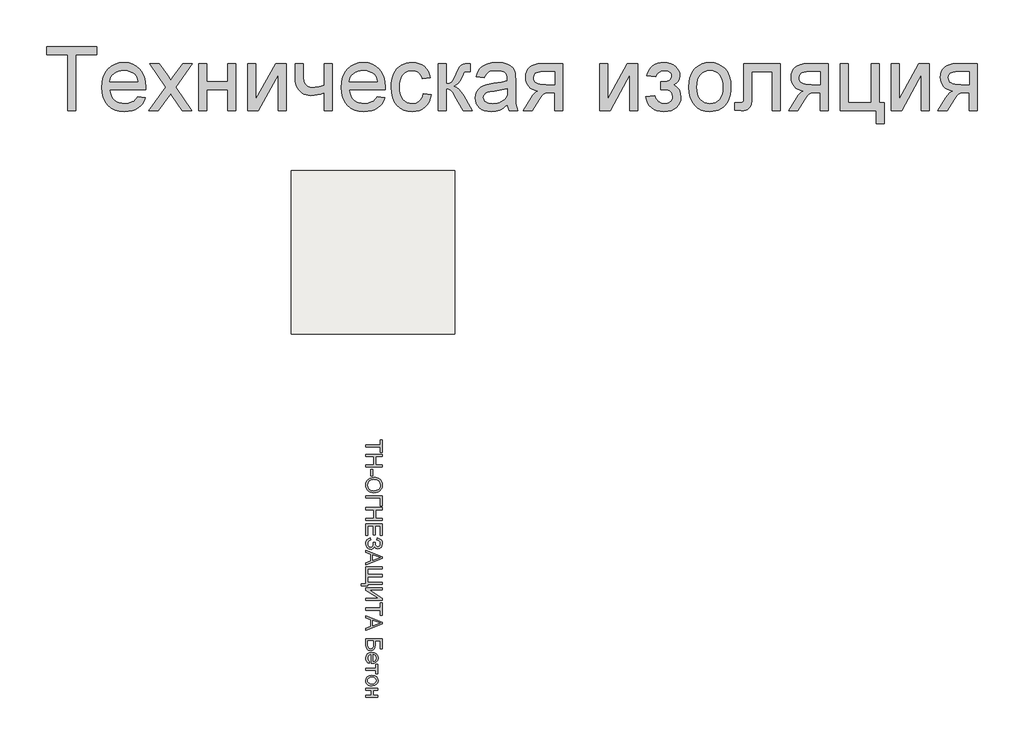
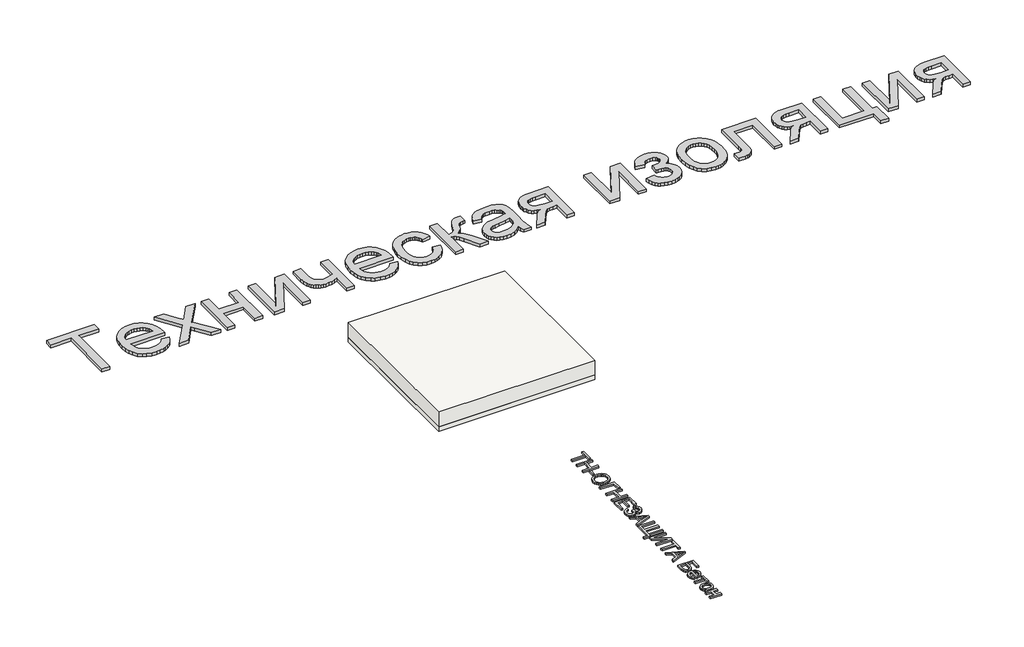
# One storey: 2 proxies, 2 slabs.
"""IFC4 building model written with IfcOpenShell, lengths in millimetres."""

from ifc_helpers import new_model, si_unit, frame, origin, origin_with_axes, place, context, project, spatial, polyline, outline, extrude, element, save

model = new_model("IFC4")

# Units and contexts
model_context = context("Model", 3, world=origin())
ifc_project = project(units=[si_unit("LENGTHUNIT", "METRE", prefix="MILLI")], contexts=[model_context])

# Site, building, storey
site = spatial("IfcSite", under=ifc_project)
building = spatial("IfcBuilding", under=site)
storey = spatial("IfcBuildingStorey", under=building, Elevation=0.0)

# Proxies
placement = place(None, origin())
element("IfcBuildingElementProxy", 1, Name="Generic Models", at=placement, inside=storey, context=model_context, shape_type="SweptSolid", body=[
    extrude(outline(polyline([(-2025.5706022, -33571.2968619), (-2025.5706022, -32885.7211043), (-2282.6615113, -32885.7211043), (-2282.6615113, -32787.7817103), (-1670.5402992, -32787.7817103), (-1670.5402992, -32885.7211043), (-1927.6312083, -32885.7211043), (-1927.6312083, -33571.2968619), (-2025.5706022, -33571.2968619)])), origin_with_axes(), (0.0, 0.0, 1.0), 40.0),
    extrude(outline(polyline([(-1169.7486325, -33399.9029225), (-1073.7221174, -33412.1453467), (-1088.4453063, -33450.6061658), (-1108.3213124, -33484.4999869), (-1133.3501358, -33513.8268098), (-1163.5317764, -33538.5866346), (-1198.5553915, -33558.2534196), (-1238.1101382, -33572.3011232), (-1282.1960165, -33580.7297454), (-1330.8130264, -33583.5392861), (-1391.5827944, -33578.6913339), (-1445.7292196, -33564.1474774), (-1493.252302, -33539.9077165), (-1534.1520416, -33505.9720513), (-1567.0416013, -33463.2849656), (-1590.5341439, -33412.7909433), (-1604.6296694, -33354.4899845), (-1609.328178, -33288.3820891), (-1604.5818475, -33220.0325389), (-1590.342856, -33159.7888126), (-1566.6112035, -33107.6509102), (-1533.3868901, -33063.6188316), (-1492.5947499, -33028.6370607), (-1446.1596174, -33003.6500816), (-1394.0814924, -32988.6578941), (-1336.3603749, -32983.6604982), (-1280.4983366, -32988.6459386), (-1229.9804033, -33003.6022596), (-1184.8065752, -33028.5294613), (-1144.9768522, -33063.4275437), (-1112.4638906, -33107.3639783), (-1089.2403465, -33159.4062369), (-1075.3062201, -33219.5543192), (-1070.6615113, -33287.8082255), (-1071.2353749, -33314.2059528), (-1511.388784, -33314.2059528), (-1505.7159029, -33353.2884575), (-1494.4358958, -33387.5170323), (-1477.5487627, -33416.8916772), (-1455.0545037, -33441.4123922), (-1428.19649, -33460.7444234), (-1398.2180927, -33474.5530172), (-1365.119312, -33482.8381734), (-1328.9001477, -33485.5998922), (-1276.7742007, -33480.4829414), (-1232.8736325, -33465.1320891), (-1214.0078655, -33453.3798401), (-1197.1984431, -33438.590896), (-1182.4453655, -33420.7652567), (-1169.7486325, -33399.9029225)]), holes=[polyline([(-1511.388784, -33216.2665588), (-1168.6009052, -33216.2665588), (-1173.6341675, -33188.5537274), (-1181.8475908, -33164.5231876), (-1193.2411751, -33144.1749395), (-1207.8149204, -33127.5089831), (-1234.5234905, -33107.4237558), (-1264.9143522, -33093.0771649), (-1298.9875056, -33084.4692103), (-1336.7429507, -33081.5998922), (-1371.1807466, -33083.889369), (-1402.7611799, -33090.7577994), (-1431.4842504, -33102.2051834), (-1457.3499583, -33118.231521), (-1479.0551548, -33138.0955716), (-1495.2966912, -33161.0560948), (-1506.0745676, -33187.1130906), (-1511.388784, -33216.2665588)])]), origin_with_axes(), (0.0, 0.0, 1.0), 40.0),
    extrude(outline(polyline([(-1033.9342386, -33571.2968619), (-824.6652992, -33282.0695891), (-1021.6918143, -32995.9029225), (-903.858481, -32995.9029225), (-808.7884052, -33133.6301952), (-764.4096174, -33198.668074), (-725.9607537, -33145.4900437), (-617.6918143, -32995.9029225), (-499.858481, -32995.9029225), (-706.8319658, -33282.0695891), (-507.5099961, -33571.2968619), (-625.3433295, -33571.2968619), (-745.2808295, -33397.41618), (-767.2789355, -33365.6623922), (-916.1009052, -33571.2968619), (-1033.9342386, -33571.2968619)])), origin_with_axes(), (0.0, 0.0, 1.0), 40.0),
    extrude(outline(polyline([(-421.8130264, -32995.9029225), (-323.8736325, -32995.9029225), (-323.8736325, -33216.2665588), (-66.7827234, -33216.2665588), (-66.7827234, -32995.9029225), (31.1566705, -32995.9029225), (31.1566705, -33571.2968619), (-66.7827234, -33571.2968619), (-66.7827234, -33314.2059528), (-323.8736325, -33314.2059528), (-323.8736325, -33571.2968619), (-421.8130264, -33571.2968619), (-421.8130264, -32995.9029225)])), origin_with_axes(), (0.0, 0.0, 1.0), 40.0),
    extrude(outline(polyline([(178.0657614, -32995.9029225), (276.0051554, -32995.9029225), (276.0051554, -33434.7173164), (516.6453069, -32995.9029225), (643.2778826, -32995.9029225), (643.2778826, -33571.2968619), (545.3384887, -33571.2968619), (545.3384887, -33135.1604982), (306.2286402, -33571.2968619), (178.0657614, -33571.2968619), (178.0657614, -32995.9029225)])), origin_with_axes(), (0.0, 0.0, 1.0), 40.0),
    extrude(outline(polyline([(753.4597008, -32995.9029225), (851.3990948, -32995.9029225), (851.3990948, -33106.2760285), (853.3837065, -33167.8229035), (859.3375417, -33209.762771), (872.8472482, -33239.8427899), (897.4994736, -33265.8101194), (913.5676554, -33276.2711753), (931.548716, -33283.7433581), (951.4426554, -33288.2266677), (973.2494736, -33289.7211043), (1001.2851033, -33287.868003), (1033.1704016, -33282.308699), (1108.4900039, -33260.0714831), (1108.4900039, -32995.9029225), (1206.4293978, -32995.9029225), (1206.4293978, -33571.2968619), (1108.4900039, -33571.2968619), (1108.4900039, -33353.9938316), (1065.9762728, -33368.7229982), (1024.8972008, -33379.2438316), (985.2527879, -33385.5563316), (947.0430342, -33387.6604982), (916.5027288, -33385.4666654), (887.8155247, -33378.8851668), (860.9814219, -33367.9160025), (836.0004205, -33352.5591725), (813.8767818, -33334.0221815), (795.6147671, -33313.5125342), (781.2143765, -33291.0302307), (770.6756099, -33266.575271), (757.7636781, -33213.1581308), (753.4597008, -33154.6718619), (753.4597008, -32995.9029225)])), origin_with_axes(), (0.0, 0.0, 1.0), 40.0),
    extrude(outline(polyline([(1756.1907614, -33399.9029225), (1852.2172766, -33412.1453467), (1837.4940877, -33450.6061658), (1817.6180815, -33484.4999869), (1792.5892581, -33513.8268098), (1762.4076175, -33538.5866346), (1727.3840024, -33558.2534196), (1687.8292557, -33572.3011232), (1643.7433774, -33580.7297454), (1595.1263675, -33583.5392861), (1534.3565995, -33578.6913339), (1480.2101743, -33564.1474774), (1432.6870919, -33539.9077165), (1391.7873523, -33505.9720513), (1358.8977927, -33463.2849656), (1335.4052501, -33412.7909433), (1321.3097245, -33354.4899845), (1316.611216, -33288.3820891), (1321.3575465, -33220.0325389), (1335.5965379, -33159.7888126), (1359.3281904, -33107.6509102), (1392.5525039, -33063.6188316), (1433.344644, -33028.6370607), (1479.7797766, -33003.6500816), (1531.8579016, -32988.6578941), (1589.579019, -32983.6604982), (1645.4410574, -32988.6459386), (1695.9589906, -33003.6022596), (1741.1328187, -33028.5294613), (1780.9625417, -33063.4275437), (1813.4755034, -33107.3639783), (1836.6990474, -33159.4062369), (1850.6331738, -33219.5543192), (1855.2778826, -33287.8082255), (1854.704019, -33314.2059528), (1414.5506099, -33314.2059528), (1420.2234911, -33353.2884575), (1431.5034982, -33387.5170323), (1448.3906312, -33416.8916772), (1470.8848902, -33441.4123922), (1497.7429039, -33460.7444234), (1527.7213012, -33474.5530172), (1560.820082, -33482.8381734), (1597.0392463, -33485.5998922), (1649.1651932, -33480.4829414), (1693.0657614, -33465.1320891), (1711.9315285, -33453.3798401), (1728.7409508, -33438.590896), (1743.4940285, -33420.7652567), (1756.1907614, -33399.9029225)]), holes=[polyline([(1414.5506099, -33216.2665588), (1757.3384887, -33216.2665588), (1752.3052264, -33188.5537274), (1744.0918031, -33164.5231876), (1732.6982188, -33144.1749395), (1718.1244736, -33127.5089831), (1691.4159035, -33107.4237558), (1661.0250417, -33093.0771649), (1626.9518883, -33084.4692103), (1589.1964432, -33081.5998922), (1554.7586473, -33083.889369), (1523.1782141, -33090.7577994), (1494.4551435, -33102.2051834), (1468.5894357, -33118.231521), (1446.8842392, -33138.0955716), (1430.6427027, -33161.0560948), (1419.8648263, -33187.1130906), (1414.5506099, -33216.2665588)])]), origin_with_axes(), (0.0, 0.0, 1.0), 40.0),
    extrude(outline(polyline([(2320.4900039, -33363.1756497), (2418.4293978, -33375.418074), (2407.777054, -33421.6320299), (2391.1230531, -33462.5257918), (2368.467395, -33498.0993595), (2339.8100796, -33528.3527331), (2306.3586118, -33552.49685), (2269.3204963, -33569.7426478), (2228.695733, -33580.0901265), (2184.484322, -33583.5392861), (2129.5548121, -33578.7272004), (2080.3041611, -33564.2909433), (2036.7323689, -33540.2305148), (1998.8394357, -33506.5459149), (1968.1676199, -33463.8707847), (1946.25918, -33412.8387653), (1933.1141161, -33353.4498567), (1928.7324281, -33285.7040588), (1930.6034627, -33240.6736966), (1936.2165664, -33198.5485191), (1945.5717392, -33159.3285262), (1958.6689811, -33123.0137179), (1975.5979584, -33090.3333794), (1996.4483372, -33062.0167956), (2021.2201175, -33038.0639665), (2049.9132993, -33018.4748922), (2081.2307117, -33003.2435948), (2113.8751838, -32992.3640967), (2147.8467155, -32985.8363978), (2183.1453069, -32983.6604982), (2226.5975441, -32986.6493713), (2265.9012254, -32995.6159906), (2301.0563509, -33010.5603562), (2332.0629205, -33031.4824679), (2358.3948926, -33057.9041062), (2379.5262254, -33089.3470513), (2395.4569191, -33125.8113031), (2406.1869736, -33167.2968619), (2308.2475796, -33179.5392861), (2300.6020422, -33156.6624513), (2290.4817179, -33136.8103562), (2277.8866066, -33119.9830006), (2262.8167084, -33106.1803846), (2245.654599, -33095.4264192), (2226.7828542, -33087.7450153), (2206.201474, -33083.1361729), (2183.9104584, -33081.5998922), (2150.6323452, -33084.6246317), (2120.6180815, -33093.6988505), (2093.8676672, -33108.8225484), (2070.3811023, -33129.9957255), (2051.2582922, -33157.7085569), (2037.5991421, -33192.4512179), (2029.4036521, -33234.2237085), (2026.671822, -33283.0260285), (2029.3438746, -33332.5636114), (2037.3600323, -33374.8202994), (2050.720295, -33409.7960924), (2069.4246629, -33437.4909906), (2092.4449636, -33458.5386351), (2118.7530247, -33473.5726668), (2148.3488462, -33482.5930858), (2181.2324281, -33485.5998922), (2207.7317771, -33483.7228799), (2231.947627, -33478.0918429), (2253.8799778, -33468.7067814), (2273.5288296, -33455.5676952), (2290.3442297, -33438.5311185), (2303.7762254, -33417.4535853), (2313.8248168, -33392.3350958), (2320.4900039, -33363.1756497)])), origin_with_axes(), (0.0, 0.0, 1.0), 40.0),
    extrude(outline(polyline([(2504.1263675, -32995.9029225), (2602.0657614, -32995.9029225), (2602.0657614, -33240.7514073), (2641.9014622, -33236.3517861), (2656.5469404, -33230.8522596), (2667.6775039, -33223.1529225), (2690.4885834, -33188.7211043), (2721.4293978, -33120.6226194), (2746.368555, -33064.9339357), (2766.0951175, -33032.1519755), (2784.5065758, -33014.2904698), (2805.5004205, -33003.3631497), (2834.5522671, -32997.7679793), (2877.1377311, -32995.9029225), (2895.8839432, -32995.9029225), (2895.8839432, -33094.41618), (2869.486216, -33093.8423164), (2838.8801554, -33096.4247028), (2821.6642463, -33104.1718619), (2807.7002311, -33125.7395702), (2787.9975796, -33168.635877), (2767.3145777, -33211.6039168), (2748.4966326, -33238.3603088), (2725.7094641, -33256.2218145), (2693.1187917, -33272.5051952), (2724.1552501, -33286.289878), (2754.9047766, -33310.619305), (2785.3673713, -33345.4934764), (2815.5430342, -33390.9123922), (2920.3687917, -33571.2968619), (2809.0392463, -33571.2968619), (2706.3176554, -33394.7381497), (2678.5809129, -33347.7530645), (2654.6699281, -33320.0402331), (2630.5198334, -33306.4827047), (2602.0657614, -33301.9635285), (2602.0657614, -33571.2968619), (2504.1263675, -33571.2968619), (2504.1263675, -32995.9029225)])), origin_with_axes(), (0.0, 0.0, 1.0), 40.0),
    extrude(outline(polyline([(3348.8536402, -33497.8423164), (3302.0598429, -33537.964949), (3278.1428803, -33552.8256261), (3253.8792084, -33564.2192103), (3203.2118315, -33578.7092672), (3148.9578069, -33583.5392861), (3105.3501483, -33580.6341014), (3067.1105057, -33571.9185475), (3034.2388793, -33557.3926242), (3006.735269, -33537.0563316), (2985.018117, -33512.2008628), (2969.5058656, -33484.1174111), (2960.1985147, -33452.8059764), (2957.0960645, -33418.2665588), (2961.7826175, -33377.6657066), (2975.8422766, -33340.7949679), (2997.5295398, -33309.2324679), (3025.0989054, -33284.5563316), (3057.4982898, -33265.9057634), (3093.6756099, -33252.4199679), (3178.4161402, -33237.6908013), (3278.5553448, -33222.1964831), (3348.2797766, -33204.0241346), (3348.8536402, -33182.2173164), (3347.1679158, -33158.4737085), (3342.1107425, -33138.5080361), (3333.6821203, -33122.3202994), (3321.8820493, -33109.9104982), (3301.4859792, -33097.5246081), (3276.642466, -33088.6775437), (3247.3515095, -33083.369305), (3213.6131099, -33081.5998922), (3155.2703069, -33086.3103562), (3132.6983372, -33092.1984362), (3114.5259887, -33100.4417482), (3099.5935787, -33111.6858888), (3086.7414243, -33126.5764547), (3075.9695256, -33145.1134457), (3067.2778826, -33167.2968619), (2969.3384887, -33155.0544376), (2986.3391989, -33101.4938316), (2997.9778708, -33079.0175058), (3011.7087539, -33059.4104982), (3028.123645, -33042.2782776), (3047.814341, -33027.2263126), (3070.7808419, -33014.2546033), (3097.0231478, -33003.3631497), (3157.2070967, -32988.5861611), (3226.2381099, -32983.6604982), (3292.447627, -32988.0122975), (3344.9322387, -33001.0676952), (3384.5049186, -33020.6986138), (3411.9786402, -33044.7769755), (3430.1988107, -33074.5461516), (3442.0108372, -33111.2495134), (3445.5974849, -33145.1074679), (3446.7930342, -33196.9464831), (3446.7930342, -33318.7968619), (3448.0364054, -33424.9377236), (3451.766519, -33488.94743), (3459.1311023, -33531.0068524), (3471.2778826, -33571.2968619), (3373.3384887, -33571.2968619), (3357.6528826, -33537.2476194), (3348.8536402, -33497.8423164)]), holes=[polyline([(3348.8536402, -33301.9635285), (3283.0506099, -33318.2708202), (3190.8498523, -33331.9957255), (3140.0390095, -33339.5037747), (3106.5875417, -33347.8726194), (3084.6611686, -33358.7282066), (3068.4256099, -33373.6964831), (3058.3829963, -33391.6297217), (3055.0354584, -33411.3801952), (3056.858671, -33426.599537), (3062.3283088, -33440.5037747), (3071.4443718, -33453.0929083), (3084.2068599, -33464.3669376), (3100.4962183, -33473.6563552), (3120.1928921, -33480.2916535), (3169.8081857, -33485.5998922), (3222.4123523, -33479.7417009), (3246.4189811, -33472.4189618), (3268.8953069, -33462.167127), (3306.579019, -33436.2715304), (3332.7854584, -33405.450271), (3344.406197, -33373.6964831), (3348.2797766, -33329.700271), (3348.8536402, -33301.9635285)])]), origin_with_axes(), (0.0, 0.0, 1.0), 40.0),
    extrude(outline(polyline([(4022.1869736, -32995.9029225), (4022.1869736, -33571.2968619), (3924.2475796, -33571.2968619), (3924.2475796, -33350.9332255), (3870.8782614, -33350.9332255), (3828.3167084, -33354.0416535), (3798.1888675, -33363.3669376), (3784.9541374, -33373.2541299), (3769.1609319, -33390.4819944), (3729.8990948, -33446.9597406), (3651.8536402, -33571.2968619), (3538.611216, -33571.2968619), (3636.9331857, -33414.0582255), (3659.0747576, -33381.9218619), (3680.3555342, -33357.6283013), (3700.7755152, -33341.1775437), (3720.3347008, -33332.5695891), (3684.3725796, -33324.6191867), (3653.3839432, -33312.0539641), (3627.3687917, -33294.8739215), (3606.3271251, -33273.0790588), (3590.0915664, -33248.0681687), (3578.4947387, -33221.2400437), (3571.5366421, -33192.5946838), (3569.2172766, -33162.1320891), (3572.3854821, -33126.8633865), (3581.8900986, -33095.0856876), (3597.731126, -33066.7989925), (3619.9085645, -33042.0033013), (3648.0876601, -33021.8343855), (3681.9336592, -33007.4280172), (3721.4465616, -32998.7841961), (3766.6263675, -32995.9029225), (4022.1869736, -32995.9029225)]), holes=[polyline([(3924.2475796, -33093.8423164), (3795.1282614, -33093.8423164), (3758.1798121, -33095.2590423), (3728.4405247, -33099.5092198), (3705.9103992, -33106.5928491), (3690.5894357, -33116.50993), (3673.0148618, -33141.1143335), (3667.1566705, -33169.5923164), (3669.3146369, -33189.6835214), (3675.7885361, -33206.9173638), (3686.578368, -33221.2938434), (3701.6841326, -33232.8129603), (3722.2774683, -33241.6420915), (3749.5300133, -33247.9486138), (3824.0127311, -33252.9938316), (3924.2475796, -33252.9938316), (3924.2475796, -33093.8423164)])]), origin_with_axes(), (0.0, 0.0, 1.0), 40.0),
    extrude(outline(polyline([(4475.1566705, -32995.9029225), (4573.0960645, -32995.9029225), (4573.0960645, -33434.7173164), (4813.736216, -32995.9029225), (4940.3687917, -32995.9029225), (4940.3687917, -33571.2968619), (4842.4293978, -33571.2968619), (4842.4293978, -33135.1604982), (4603.3195493, -33571.2968619), (4475.1566705, -33571.2968619), (4475.1566705, -32995.9029225)])), origin_with_axes(), (0.0, 0.0, 1.0), 40.0),
    extrude(outline(polyline([(5221.9445493, -33314.2059528), (5221.9445493, -33216.2665588), (5299.2248523, -33212.4408013), (5319.3100796, -33205.6261706), (5338.2475796, -33192.0686422), (5352.0203069, -33172.9637653), (5356.611216, -33149.5070891), (5355.0749352, -33134.7958557), (5350.4660929, -33121.6507918), (5342.784689, -33110.0718974), (5332.0307236, -33100.0591725), (5303.8874944, -33086.2147122), (5268.6187917, -33081.5998922), (5232.9675133, -33086.1908013), (5203.1026932, -33099.9635285), (5179.0243315, -33122.918074), (5160.7324281, -33155.0544376), (5050.5506099, -33142.8120134), (5063.2592984, -33105.510877), (5079.7698334, -33073.1832255), (5100.082215, -33045.8290588), (5124.1964432, -33023.448377), (5152.1125181, -33006.04118), (5183.8304395, -32993.6074679), (5219.3502075, -32986.1472406), (5258.671822, -32983.6604982), (5302.0941705, -32986.6912156), (5340.5430342, -32995.7833675), (5374.0184129, -33010.9369542), (5402.5203069, -33032.1519755), (5425.2835645, -33057.5753301), (5441.5430342, -33085.3539168), (5451.298716, -33115.4877354), (5454.5506099, -33147.9767861), (5449.9238343, -33180.1131497), (5436.0435076, -33208.8063316), (5412.9096298, -33234.0563316), (5380.5222008, -33255.8631497), (5418.3254679, -33283.0738505), (5445.2731478, -33316.8839831), (5461.4130626, -33357.3891914), (5466.7930342, -33404.6851194), (5463.3797411, -33442.6019637), (5453.1398618, -33476.7767388), (5436.0733964, -33507.2094447), (5412.1803448, -33533.9000816), (5382.1541255, -33555.6172335), (5346.6881573, -33571.129485), (5305.7824399, -33580.4368358), (5259.4369736, -33583.5392861), (5214.2631454, -33580.6699679), (5174.0986686, -33572.0620134), (5138.9435432, -33557.7154225), (5108.797769, -33537.6301952), (5083.6613462, -33511.8063316), (5063.5342747, -33480.2438316), (5048.4165545, -33442.9426952), (5038.3081857, -33399.9029225), (5148.4900039, -33387.6604982), (5155.340501, -33409.6825153), (5164.9885834, -33429.074324), (5177.434251, -33445.8359244), (5192.6775039, -33459.9673164), (5209.9173239, -33471.1815683), (5228.3526932, -33479.1917482), (5247.9836118, -33483.9978562), (5268.8100796, -33485.5998922), (5289.4213486, -33484.0636114), (5308.2153826, -33479.4547691), (5325.1921819, -33471.7733652), (5340.3517463, -33461.0193997), (5352.8213249, -33447.8743358), (5361.7281667, -33433.0196365), (5367.0722718, -33416.4553017), (5368.8536402, -33398.1813316), (5364.430108, -33370.588055), (5351.1595114, -33346.7248922), (5332.891519, -33328.8394755), (5313.4757993, -33319.1794376), (5285.3803921, -33315.0189263), (5241.0733372, -33313.6320891), (5221.9445493, -33314.2059528)])), origin_with_axes(), (0.0, 0.0, 1.0), 40.0),
    extrude(outline(polyline([(5564.7324281, -33283.5998922), (5570.0287112, -33209.0813079), (5576.6490652, -33175.6866287), (5585.9175607, -33144.8683581), (5597.8341977, -33116.6264961), (5612.3989764, -33090.9610427), (5629.6118966, -33067.871998), (5649.4729584, -33047.3593619), (5686.7980057, -33019.491109), (5727.9966326, -32999.5852141), (5773.0688391, -32987.6416772), (5822.0146251, -32983.6604982), (5876.0474731, -32988.5084504), (5924.9035929, -33003.0523069), (5968.5829844, -33027.2920678), (6007.0856478, -33061.2277331), (6038.5106596, -33103.7115754), (6060.9570967, -33153.5958675), (6074.4249589, -33210.8806095), (6078.9142463, -33275.5658013), (6076.9296345, -33327.9906355), (6070.9757993, -33374.5094566), (6061.0527406, -33415.1222643), (6047.1604584, -33449.8290588), (6029.4723074, -33479.8074561), (6008.1616421, -33506.2350721), (5983.2284627, -33529.1119068), (5954.672769, -33548.4379603), (5923.6064219, -33563.7947904), (5891.1412823, -33574.7639547), (5857.27735, -33581.3454532), (5822.0146251, -33583.5392861), (5767.1927146, -33578.7092672), (5717.8822861, -33564.2192103), (5674.0833396, -33540.0691156), (5635.7958751, -33506.2589831), (5604.705617, -33463.3626763), (5582.4982898, -33411.9540588), (5569.1738935, -33352.0331308), (5564.7324281, -33283.5998922)]), holes=[polyline([(5662.671822, -33283.4086043), (5665.5052737, -33330.9137534), (5674.0056289, -33372.0466251), (5688.1728874, -33406.8072193), (5708.0070493, -33435.1955361), (5732.133233, -33457.2474419), (5759.1765569, -33472.9988031), (5789.1370209, -33482.4496199), (5822.0146251, -33485.5998922), (5854.7248523, -33482.4316867), (5884.5657614, -33472.9270702), (5911.5373523, -33457.0860427), (5935.6396251, -33434.9086043), (5955.473787, -33406.2393335), (5969.6410455, -33370.9228088), (5978.1414006, -33328.9590304), (5980.9748523, -33280.3479982), (5978.1234674, -33234.3492411), (5969.5693126, -33194.2923638), (5955.3123879, -33160.1773661), (5935.3526932, -33132.0042482), (5911.1607543, -33109.9523424), (5884.2070967, -33094.2009812), (5854.4917202, -33084.7501644), (5822.0146251, -33081.5998922), (5789.1370209, -33084.7382089), (5759.1765569, -33094.1531592), (5732.133233, -33109.844743), (5708.0070493, -33131.8129603), (5688.1728874, -33160.1175887), (5674.0056289, -33194.8184054), (5665.5052737, -33235.9154106), (5662.671822, -33283.4086043)])]), origin_with_axes(), (0.0, 0.0, 1.0), 40.0),
    extrude(outline(polyline([(6238.0657614, -32995.9029225), (6678.7930342, -32995.9029225), (6678.7930342, -33570.7229982), (6580.8536402, -33570.7229982), (6580.8536402, -33093.8423164), (6336.0051554, -33093.8423164), (6336.0051554, -33368.3404225), (6334.3552974, -33448.011824), (6329.4057236, -33494.9729982), (6317.0437444, -33523.6422691), (6293.1566705, -33548.4379603), (6276.682002, -33558.4387298), (6256.9076175, -33565.5821365), (6233.8335171, -33569.8681805), (6207.4597008, -33571.2968619), (6127.8839432, -33566.323377), (6127.8839432, -33473.3574679), (6171.6888675, -33473.3574679), (6198.2539717, -33471.8510759), (6215.9720114, -33467.3318997), (6227.0427974, -33459.5369187), (6233.6661402, -33448.2031119), (6236.9658561, -33420.2989925), (6238.0657614, -33362.793074), (6238.0657614, -32995.9029225)])), origin_with_axes(), (0.0, 0.0, 1.0), 40.0),
    extrude(outline(polyline([(7266.4293978, -32995.9029225), (7266.4293978, -33571.2968619), (7168.4900039, -33571.2968619), (7168.4900039, -33350.9332255), (7115.1206857, -33350.9332255), (7072.5591326, -33354.0416535), (7042.4312917, -33363.3669376), (7029.1965616, -33373.2541299), (7013.4033561, -33390.4819944), (6974.141519, -33446.9597406), (6896.0960645, -33571.2968619), (6782.8536402, -33571.2968619), (6881.1756099, -33414.0582255), (6903.3171819, -33381.9218619), (6924.5979584, -33357.6283013), (6945.0179395, -33341.1775437), (6964.5771251, -33332.5695891), (6928.6150039, -33324.6191867), (6897.6263675, -33312.0539641), (6871.611216, -33294.8739215), (6850.5695493, -33273.0790588), (6834.3339906, -33248.0681687), (6822.7371629, -33221.2400437), (6815.7790664, -33192.5946838), (6813.4597008, -33162.1320891), (6816.6279063, -33126.8633865), (6826.1325228, -33095.0856876), (6841.9735503, -33066.7989925), (6864.1509887, -33042.0033013), (6892.3300843, -33021.8343855), (6926.1760834, -33007.4280172), (6965.6889859, -32998.7841961), (7010.8687917, -32995.9029225), (7266.4293978, -32995.9029225)]), holes=[polyline([(7168.4900039, -33093.8423164), (7039.3706857, -33093.8423164), (7002.4222363, -33095.2590423), (6972.6829489, -33099.5092198), (6950.1528235, -33106.5928491), (6934.8318599, -33116.50993), (6917.2572861, -33141.1143335), (6911.3990948, -33169.5923164), (6913.5570611, -33189.6835214), (6920.0309603, -33206.9173638), (6930.8207922, -33221.2938434), (6945.9265569, -33232.8129603), (6966.5198926, -33241.6420915), (6993.7724376, -33247.9486138), (7068.2551554, -33252.9938316), (7168.4900039, -33252.9938316), (7168.4900039, -33093.8423164)])]), origin_with_axes(), (0.0, 0.0, 1.0), 40.0),
    extrude(outline(polyline([(7413.3384887, -32995.9029225), (7511.2778826, -32995.9029225), (7511.2778826, -33473.3574679), (7792.8536402, -33473.3574679), (7792.8536402, -32995.9029225), (7890.7930342, -32995.9029225), (7890.7930342, -33473.3574679), (7952.0051554, -33473.3574679), (7952.0051554, -33730.448377), (7854.0657614, -33730.448377), (7854.0657614, -33571.2968619), (7413.3384887, -33571.2968619), (7413.3384887, -32995.9029225)])), origin_with_axes(), (0.0, 0.0, 1.0), 40.0),
    extrude(outline(polyline([(8037.7021251, -32995.9029225), (8135.641519, -32995.9029225), (8135.641519, -33434.7173164), (8376.2816705, -32995.9029225), (8502.9142463, -32995.9029225), (8502.9142463, -33571.2968619), (8404.9748523, -33571.2968619), (8404.9748523, -33135.1604982), (8165.8650039, -33571.2968619), (8037.7021251, -33571.2968619), (8037.7021251, -32995.9029225)])), origin_with_axes(), (0.0, 0.0, 1.0), 40.0),
    extrude(outline(polyline([(9090.5506099, -32995.9029225), (9090.5506099, -33571.2968619), (8992.611216, -33571.2968619), (8992.611216, -33350.9332255), (8939.2418978, -33350.9332255), (8896.6803448, -33354.0416535), (8866.5525039, -33363.3669376), (8853.3177737, -33373.2541299), (8837.5245682, -33390.4819944), (8798.2627311, -33446.9597406), (8720.2172766, -33571.2968619), (8606.9748523, -33571.2968619), (8705.296822, -33414.0582255), (8727.438394, -33381.9218619), (8748.7191705, -33357.6283013), (8769.1391516, -33341.1775437), (8788.6983372, -33332.5695891), (8752.736216, -33324.6191867), (8721.7475796, -33312.0539641), (8695.7324281, -33294.8739215), (8674.6907614, -33273.0790588), (8658.4552027, -33248.0681687), (8646.8583751, -33221.2400437), (8639.9002785, -33192.5946838), (8637.5809129, -33162.1320891), (8640.7491184, -33126.8633865), (8650.2537349, -33095.0856876), (8666.0947624, -33066.7989925), (8688.2722008, -33042.0033013), (8716.4512965, -33021.8343855), (8750.2972955, -33007.4280172), (8789.810198, -32998.7841961), (8834.9900039, -32995.9029225), (9090.5506099, -32995.9029225)]), holes=[polyline([(8992.611216, -33093.8423164), (8863.4918978, -33093.8423164), (8826.5434485, -33095.2590423), (8796.8041611, -33099.5092198), (8774.2740356, -33106.5928491), (8758.953072, -33116.50993), (8741.3784982, -33141.1143335), (8735.5203069, -33169.5923164), (8737.6782733, -33189.6835214), (8744.1521724, -33206.9173638), (8754.9420043, -33221.2938434), (8770.047769, -33232.8129603), (8790.6411047, -33241.6420915), (8817.8936497, -33247.9486138), (8892.3763675, -33252.9938316), (8992.611216, -33252.9938316), (8992.611216, -33093.8423164)])]), origin_with_axes(), (0.0, 0.0, 1.0), 40.0),
])
element("IfcBuildingElementProxy", 2, Name="Generic Models", at=placement, inside=storey, context=model_context, shape_type="SweptSolid", body=[
    extrude(outline(polyline([(1619.5520286, -37659.3593778), (1791.8597209, -37659.3593778), (1791.8597209, -37594.7439932), (1816.4751055, -37594.7439932), (1816.4751055, -37748.590147), (1791.8597209, -37748.590147), (1791.8597209, -37683.9747624), (1619.5520286, -37683.9747624), (1619.5520286, -37659.3593778)])), origin_with_axes(), (0.0, 0.0, 1.0), 20.0),
    extrude(outline(polyline([(1619.5520286, -37776.2824547), (1816.4751055, -37776.2824547), (1816.4751055, -37800.8978393), (1736.4751055, -37800.8978393), (1736.4751055, -37905.5132239), (1816.4751055, -37905.5132239), (1816.4751055, -37930.1286085), (1619.5520286, -37930.1286085), (1619.5520286, -37905.5132239), (1711.8597209, -37905.5132239), (1711.8597209, -37800.8978393), (1619.5520286, -37800.8978393), (1619.5520286, -37776.2824547)])), origin_with_axes(), (0.0, 0.0, 1.0), 20.0),
    extrude(outline(polyline([(1678.0135671, -37957.8209162), (1702.6289517, -37957.8209162), (1702.6289517, -38034.7439932), (1678.0135671, -38034.7439932), (1678.0135671, -37957.8209162)])), origin_with_axes(), (0.0, 0.0, 1.0), 20.0),
    extrude(outline(polyline([(1715.4174132, -38056.2824547), (1738.51537, -38057.9230797), (1758.9630863, -38062.8449547), (1776.7605623, -38071.0480797), (1791.9077978, -38082.5324547), (1804.0021488, -38096.6099787), (1812.6409709, -38112.5925508), (1817.8242642, -38130.480171), (1819.5520286, -38150.2728393), (1816.3068363, -38176.1021662), (1806.5712594, -38199.2632239), (1791.030394, -38218.4939932), (1770.3693363, -38232.5324547), (1745.5856825, -38241.1141855), (1717.6770286, -38243.9747624), (1689.3957786, -38240.9639451), (1664.2635671, -38231.9314932), (1643.5664517, -38217.3762047), (1628.5904902, -38197.7968778), (1619.5039517, -38174.8341374), (1616.4751055, -38150.1286085), (1619.8224613, -38123.902647), (1629.8645286, -38100.6093778), (1645.6938555, -38081.4266855), (1666.4029902, -38067.5324547), (1690.2311152, -38059.0949547), (1715.4174132, -38056.2824547)]), holes=[polyline([(1715.1770286, -38080.8978393), (1684.3717402, -38085.8197143), (1660.8981825, -38100.5853393), (1646.0424132, -38122.7788489), (1641.0904902, -38149.9843778), (1646.0904902, -38177.5865412), (1661.0904902, -38199.8161085), (1672.139168, -38208.3662888), (1685.2852017, -38214.4735605), (1717.8693363, -38219.3593778), (1739.6602017, -38217.2680316), (1758.4943363, -38210.9939932), (1773.8969805, -38200.699522), (1785.3933748, -38186.5468778), (1792.5508267, -38169.4735605), (1794.936644, -38150.4170701), (1790.3392882, -38123.9387047), (1776.5472209, -38101.4266855), (1765.8155502, -38092.4453153), (1752.0099613, -38086.0300508), (1715.1770286, -38080.8978393)])]), origin_with_axes(), (0.0, 0.0, 1.0), 20.0),
    extrude(outline(polyline([(1816.4751055, -38280.8978393), (1816.4751055, -38403.9747624), (1791.8597209, -38403.9747624), (1791.8597209, -38305.5132239), (1619.5520286, -38305.5132239), (1619.5520286, -38280.8978393), (1816.4751055, -38280.8978393)])), origin_with_axes(), (0.0, 0.0, 1.0), 20.0),
    extrude(outline(polyline([(1619.5520286, -38425.5132239), (1816.4751055, -38425.5132239), (1816.4751055, -38450.1286085), (1736.4751055, -38450.1286085), (1736.4751055, -38554.7439932), (1816.4751055, -38554.7439932), (1816.4751055, -38579.3593778), (1619.5520286, -38579.3593778), (1619.5520286, -38554.7439932), (1711.8597209, -38554.7439932), (1711.8597209, -38450.1286085), (1619.5520286, -38450.1286085), (1619.5520286, -38425.5132239)])), origin_with_axes(), (0.0, 0.0, 1.0), 20.0),
    extrude(outline(polyline([(1619.5520286, -38622.4363008), (1816.4751055, -38622.4363008), (1816.4751055, -38763.9747624), (1791.8597209, -38763.9747624), (1791.8597209, -38647.0516855), (1733.3981825, -38647.0516855), (1733.3981825, -38757.8209162), (1708.7827978, -38757.8209162), (1708.7827978, -38647.0516855), (1644.1674132, -38647.0516855), (1644.1674132, -38767.0516855), (1619.5520286, -38767.0516855), (1619.5520286, -38622.4363008)])), origin_with_axes(), (0.0, 0.0, 1.0), 20.0),
    extrude(outline(polyline([(1674.936644, -38794.7439932), (1681.0904902, -38819.3593778), (1667.7671728, -38824.5576951), (1654.4318363, -38834.4795701), (1644.4258267, -38848.7644258), (1641.0904902, -38867.0516855), (1643.5964998, -38885.5793297), (1651.1145286, -38899.7199547), (1662.1782305, -38908.6802912), (1675.3212594, -38911.6670701), (1689.0892882, -38908.4038489), (1699.7202978, -38898.6141855), (1706.5171728, -38883.199522), (1708.7827978, -38863.0613008), (1708.7827978, -38850.1286085), (1733.3981825, -38850.1286085), (1735.3933748, -38877.9891855), (1738.9390478, -38887.0697143), (1745.5856825, -38895.0324547), (1754.3416921, -38900.5853393), (1764.2154902, -38902.4363008), (1775.8080382, -38899.9723585), (1785.7779902, -38892.5805316), (1792.6469805, -38880.9819739), (1794.936644, -38865.8978393), (1793.1758267, -38852.262022), (1787.8933748, -38840.777647), (1779.702269, -38831.9795701), (1769.2154902, -38826.402647), (1751.8597209, -38822.4363008), (1758.0135671, -38797.8209162), (1784.936644, -38805.4681518), (1804.1674132, -38819.3233201), (1815.7058748, -38839.386421), (1819.5520286, -38865.6574547), (1815.5556344, -38891.0000028), (1803.5664517, -38910.4891855), (1786.2287113, -38922.9110605), (1766.186644, -38927.0516855), (1753.232918, -38925.4411085), (1741.8236632, -38920.6093778), (1731.9588796, -38912.5564932), (1723.6385671, -38901.2824547), (1717.3344805, -38914.9723585), (1706.6914517, -38926.2343778), (1692.6229421, -38933.7704355), (1676.0424132, -38936.2824547), (1652.7311152, -38931.4627432), (1633.5664517, -38917.0036085), (1620.7479421, -38894.5877432), (1616.4751055, -38865.8978393), (1620.1289517, -38840.933897), (1631.0904902, -38820.7536085), (1649.3597209, -38805.3569739), (1674.936644, -38794.7439932)])), origin_with_axes(), (0.0, 0.0, 1.0), 20.0),
    extrude(outline(polyline([(1619.5520286, -38947.1959162), (1816.4751055, -39025.8016855), (1816.4751055, -39046.7632239), (1619.5520286, -39125.3689932), (1619.5520286, -39099.3593778), (1681.0904902, -39076.8113008), (1681.0904902, -38995.7055316), (1619.5520286, -38973.2055316), (1619.5520286, -38947.1959162)]), holes=[polyline([(1705.7058748, -39004.7439932), (1705.7058748, -39067.8209162), (1754.1193363, -39050.0805316), (1791.8597209, -39036.2824547), (1758.3501055, -39024.0228393), (1705.7058748, -39004.7439932)])]), origin_with_axes(), (0.0, 0.0, 1.0), 20.0),
    extrude(outline(polyline([(1816.4751055, -39148.590147), (1816.4751055, -39173.2055316), (1644.1674132, -39173.2055316), (1644.1674132, -39243.9747624), (1816.4751055, -39243.9747624), (1816.4751055, -39268.590147), (1644.1674132, -39268.590147), (1644.1674132, -39339.3593778), (1816.4751055, -39339.3593778), (1816.4751055, -39363.9747624), (1644.1674132, -39363.9747624), (1644.1674132, -39382.4363008), (1564.1674132, -39382.4363008), (1564.1674132, -39357.8209162), (1619.5520286, -39357.8209162), (1619.5520286, -39148.590147), (1816.4751055, -39148.590147)])), origin_with_axes(), (0.0, 0.0, 1.0), 20.0),
    extrude(outline(polyline([(1816.4751055, -39407.0516855), (1816.4751055, -39431.6670701), (1660.5135671, -39431.6670701), (1816.4751055, -39534.7439932), (1816.4751055, -39560.8978393), (1619.5520286, -39560.8978393), (1619.5520286, -39536.2824547), (1775.0808748, -39536.2824547), (1619.5520286, -39433.4459162), (1619.5520286, -39407.0516855), (1816.4751055, -39407.0516855)])), origin_with_axes(), (0.0, 0.0, 1.0), 20.0),
    extrude(outline(polyline([(1619.5520286, -39653.2055316), (1791.8597209, -39653.2055316), (1791.8597209, -39588.590147), (1816.4751055, -39588.590147), (1816.4751055, -39742.4363008), (1791.8597209, -39742.4363008), (1791.8597209, -39677.8209162), (1619.5520286, -39677.8209162), (1619.5520286, -39653.2055316)])), origin_with_axes(), (0.0, 0.0, 1.0), 20.0),
    extrude(outline(polyline([(1619.5520286, -39747.1959162), (1816.4751055, -39825.8016855), (1816.4751055, -39846.7632239), (1619.5520286, -39925.3689932), (1619.5520286, -39899.3593778), (1681.0904902, -39876.8113008), (1681.0904902, -39795.7055316), (1619.5520286, -39773.2055316), (1619.5520286, -39747.1959162)]), holes=[polyline([(1705.7058748, -39804.7439932), (1705.7058748, -39867.8209162), (1754.1193363, -39850.0805316), (1791.8597209, -39836.2824547), (1758.3501055, -39824.0228393), (1705.7058748, -39804.7439932)])]), origin_with_axes(), (0.0, 0.0, 1.0), 20.0),
    extrude(outline(polyline([(1816.4751055, -40028.590147), (1816.4751055, -40151.6670701), (1791.8597209, -40151.6670701), (1791.8597209, -40053.2055316), (1733.3981825, -40053.2055316), (1733.3981825, -40099.3113008), (1728.3981825, -40139.9363008), (1721.1746248, -40153.5300508), (1709.5039517, -40164.1189932), (1694.4799132, -40170.933897), (1677.1962594, -40173.2055316), (1662.6830382, -40171.5889451), (1649.1433748, -40166.7391855), (1637.2864036, -40158.6802912), (1627.8212594, -40147.4363008), (1621.6193363, -40130.0925508), (1619.5520286, -40103.7343778), (1619.5520286, -40028.590147), (1816.4751055, -40028.590147)]), holes=[polyline([(1644.1674132, -40053.2055316), (1644.1674132, -40105.9459162), (1646.1986632, -40124.5877432), (1652.2924132, -40137.9170701), (1662.4486632, -40145.9218778), (1676.6674132, -40148.590147), (1687.2563555, -40147.0637047), (1695.9462594, -40142.4843778), (1702.3885671, -40135.1826951), (1706.2347209, -40125.4891855), (1708.7827978, -40088.3978393), (1708.7827978, -40053.2055316), (1644.1674132, -40053.2055316)])]), origin_with_axes(), (0.0, 0.0, 1.0), 20.0),
    extrude(outline(polyline([(1662.6289517, -40305.2247624), (1659.5520286, -40329.3593778), (1641.3669325, -40320.6634643), (1627.7731825, -40306.7872624), (1619.2996248, -40288.043272), (1616.4751055, -40264.7439932), (1621.3489036, -40235.8617816), (1635.9702978, -40213.6382239), (1659.389769, -40199.4675508), (1690.6577978, -40194.7439932), (1722.9775094, -40199.5156278), (1747.1481825, -40213.8305316), (1762.2202978, -40235.7536085), (1767.2443363, -40263.3497624), (1762.2323171, -40290.0865412), (1747.1962594, -40311.4507239), (1723.0736632, -40325.4591374), (1690.8020286, -40330.1286085), (1684.1674132, -40329.9843778), (1684.1674132, -40219.3593778), (1665.7419325, -40223.6201951), (1652.1962594, -40233.5180316), (1643.8669325, -40247.8028874), (1641.0904902, -40265.2247624), (1646.2347209, -40289.3593778), (1652.905394, -40298.3257239), (1662.6289517, -40305.2247624)]), holes=[polyline([(1708.7827978, -40219.3593778), (1708.7827978, -40305.5132239), (1721.7876055, -40302.183897), (1731.0904902, -40295.6574547), (1739.7443363, -40281.3064932), (1742.6289517, -40263.2536085), (1740.327269, -40246.6610605), (1733.4222209, -40232.9411085), (1722.6589998, -40223.4038489), (1708.7827978, -40219.3593778)])]), origin_with_axes(), (0.0, 0.0, 1.0), 20.0),
    extrude(outline(polyline([(1764.1674132, -40342.4363008), (1764.1674132, -40459.3593778), (1739.5520286, -40459.3593778), (1739.5520286, -40413.2055316), (1619.5520286, -40413.2055316), (1619.5520286, -40388.590147), (1739.5520286, -40388.590147), (1739.5520286, -40342.4363008), (1764.1674132, -40342.4363008)])), origin_with_axes(), (0.0, 0.0, 1.0), 20.0),
    extrude(outline(polyline([(1691.8597209, -40474.7439932), (1726.7275094, -40480.0685124), (1740.2761873, -40486.7241614), (1751.2347209, -40496.0420701), (1763.2419325, -40515.777647), (1767.2443363, -40539.4074547), (1762.3705382, -40565.2668297), (1747.749144, -40585.9218778), (1724.5339998, -40599.4615412), (1693.8789517, -40603.9747624), (1669.0111632, -40601.9795701), (1650.0808748, -40595.9939932), (1635.9041921, -40586.1923105), (1625.2972209, -40572.7488008), (1618.6806344, -40556.7812528), (1616.4751055, -40539.4074547), (1621.3308748, -40513.2355797), (1635.8981825, -40492.6045701), (1659.6001055, -40479.2091374), (1691.8597209, -40474.7439932)]), holes=[polyline([(1691.9077978, -40499.3593778), (1669.6301536, -40502.2079355), (1653.7587594, -40510.7536085), (1644.2575575, -40523.6141855), (1641.0904902, -40539.4074547), (1644.2755863, -40555.1286085), (1653.8308748, -40567.965147), (1669.9126055, -40576.5108201), (1692.6770286, -40579.3593778), (1714.3056344, -40576.4927912), (1729.9606825, -40567.8930316), (1739.4618844, -40555.0384643), (1742.6289517, -40539.4074547), (1739.4739036, -40523.6141855), (1730.0087594, -40510.7536085), (1714.1734228, -40502.2079355), (1691.9077978, -40499.3593778)])]), origin_with_axes(), (0.0, 0.0, 1.0), 20.0),
    extrude(outline(polyline([(1764.1674132, -40631.6670701), (1764.1674132, -40656.2824547), (1708.7827978, -40656.2824547), (1708.7827978, -40720.8978393), (1764.1674132, -40720.8978393), (1764.1674132, -40745.5132239), (1619.5520286, -40745.5132239), (1619.5520286, -40720.8978393), (1684.1674132, -40720.8978393), (1684.1674132, -40656.2824547), (1619.5520286, -40656.2824547), (1619.5520286, -40631.6670701), (1764.1674132, -40631.6670701)])), origin_with_axes(), (0.0, 0.0, 1.0), 20.0),
])

# Slabs
element("IfcSlab", 3, at=placement, inside=storey, context=model_context, shape_type="SweptSolid", body=[
    extrude(outline(polyline([(2706.3955952, -34302.6148653), (2706.3955952, -36302.6148653), (706.3955952, -36302.6148653), (706.3955952, -34302.6148653), (2706.3955952, -34302.6148653)])), frame((0.0, 0.0, -105.0), z_axis=(0.0, 0.0, 1.0), x_axis=(1.0, 0.0, 0.0)), (0.0, 0.0, 1.0), 60.0),
])
element("IfcSlab", 4, at=placement, inside=storey, context=model_context, shape_type="SweptSolid", body=[
    extrude(outline(polyline([(2706.3955952, -34302.6148653), (2706.3955952, -36302.6148653), (706.3955952, -36302.6148653), (706.3955952, -34302.6148653), (2706.3955952, -34302.6148653)])), frame((0.0, 0.0, -45.0), z_axis=(0.0, 0.0, 1.0), x_axis=(1.0, 0.0, 0.0)), (0.0, 0.0, 1.0), 200.0),
])

save(model, "model.ifc")
